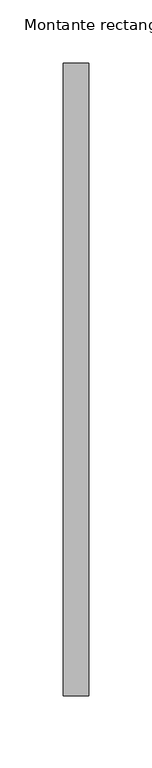
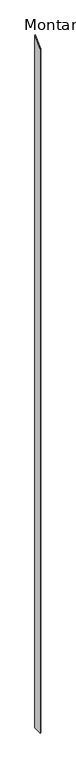
"""IFC4 building model written with IfcOpenShell, lengths in millimetres: member geometry, Montante rectangular."""

from ifc_helpers import new_model, si_unit, frame, origin, place, context, project, spatial, polyline, outline, extrude, source, transform, mapped, element, save


def montante_rectangular_4b323dfb(model_context):
    return source(origin(), model_context, "Body", "SweptSolid", [
        extrude(outline(polyline([(-250.0, -250.0), (250.0, 250.0), (250.0, -39314.2921495), (-250.0, -39314.2921495), (-250.0, -250.0)])), frame((-20.0, 0.0, 0.0), z_axis=(1.0, 0.0, 0.0), x_axis=(0.0, 1.0, 0.0)), (0.0, 0.0, 1.0), 20.0),
    ])


if __name__ == "__main__":
    model = new_model("IFC4")
    model_context = context("Model", 3, world=origin())
    ifc_project = project(units=[si_unit("LENGTHUNIT", "METRE", prefix="MILLI")], contexts=[model_context])
    site = spatial("IfcSite", under=ifc_project)
    building = spatial("IfcBuilding", under=site)
    placement = place(None, origin())
    montante_rectangular_shape = montante_rectangular_4b323dfb(model_context)
    element("IfcMember", 1, ObjectType="Montante rectangular", at=placement, inside=building, context=model_context, shape_type="MappedRepresentation", body=[
        mapped(montante_rectangular_shape, transform((0.0, 0.0, 0.0), x_axis=(1.0, 0.0, 0.0), y_axis=(0.0, 1.0, 0.0), z_axis=(0.0, 0.0, 1.0))),
    ])
    save(model, "model.ifc")
